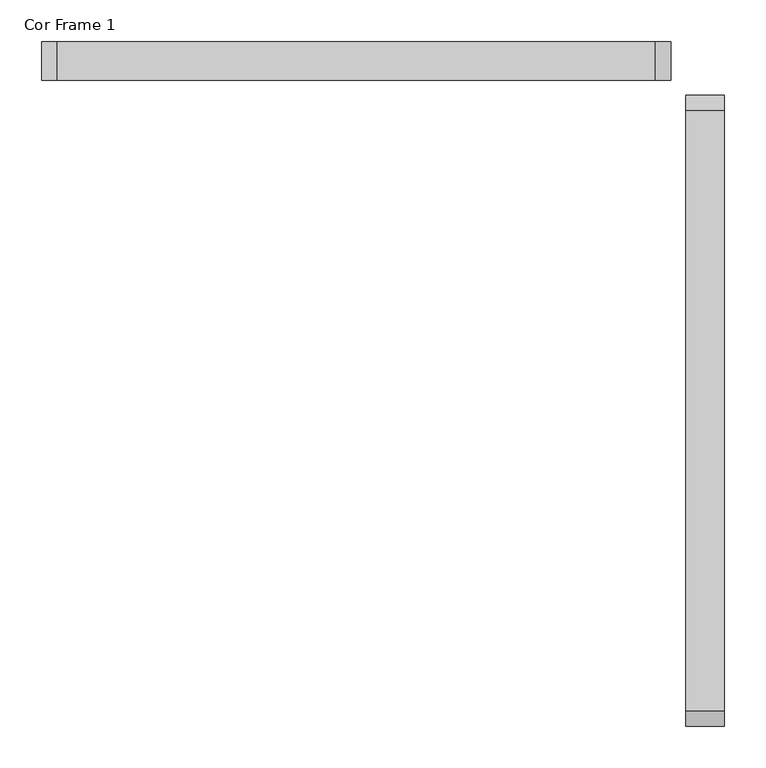
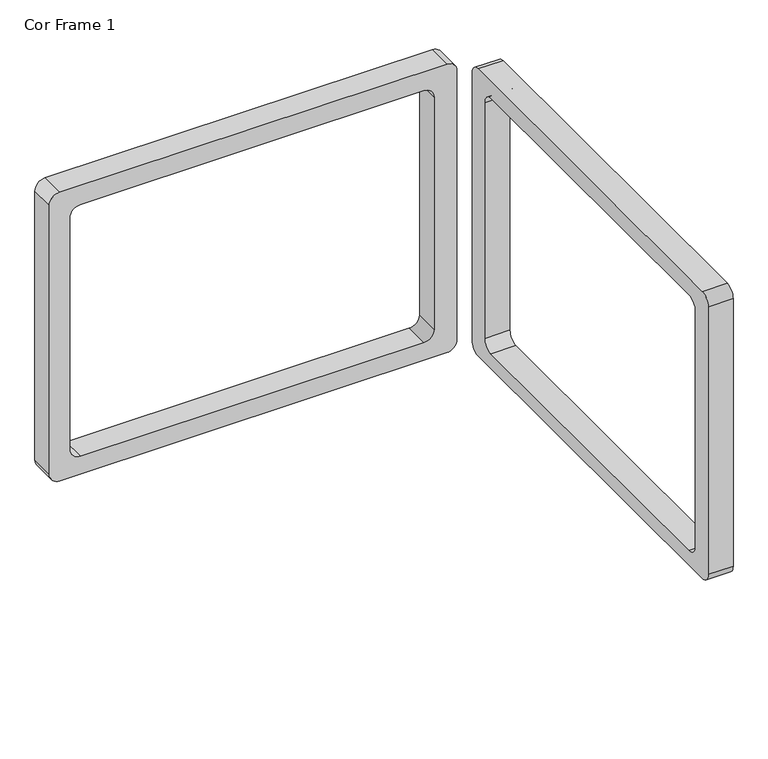
"""IFC4 building model written with IfcOpenShell, lengths in millimetres: furniture geometry, Cor Frame 1."""

from ifc_helpers import new_model, si_unit, point, frame, frame_2d, origin, place, context, project, spatial, polyline, circle_curve, trimmed, segment, composite_curve, outline, extrude, source, transform, mapped, element, save


def cor_frame_1_2939ea5a(model_context):
    return source(origin(), model_context, "Body", "SweptSolid", [
        extrude(outline(composite_curve([segment(polyline([(-831.5954136, 710.0913306), (-109.6554497, 710.0913306)]), True, "CONTINUOUS"), segment(trimmed(circle_curve(frame_2d((-109.6554497, 691.0413306)), 19.05), [point((-109.6554497, 710.0913306))], [point((-90.6054497, 691.0413306))], False, "CARTESIAN"), True, "CONTINUOUS"), segment(polyline([(-90.6054497, 691.0413306), (-90.6054497, 164.3379977)]), True, "CONTINUOUS"), segment(trimmed(circle_curve(frame_2d((-109.6554497, 164.3379977)), 19.05), [point((-90.6054497, 164.3379977))], [point((-109.6554497, 145.2879977))], False, "CARTESIAN"), True, "CONTINUOUS"), segment(polyline([(-109.6554497, 145.2879977), (-831.5954136, 145.2879977)]), True, "CONTINUOUS"), segment(trimmed(circle_curve(frame_2d((-831.5954136, 164.3379977)), 19.05), [point((-831.5954136, 145.2879977))], [point((-850.6454136, 164.3379977))], False, "CARTESIAN"), True, "CONTINUOUS"), segment(polyline([(-850.6454136, 164.3379977), (-850.6454136, 691.0413306)]), True, "CONTINUOUS"), segment(trimmed(circle_curve(frame_2d((-831.5954136, 691.0413306)), 19.05), [point((-850.6454136, 691.0413306))], [point((-831.5954136, 710.0913306))], False, "CARTESIAN"), True, "CONTINUOUS")], self_intersect=False), holes=[composite_curve([segment(trimmed(circle_curve(frame_2d((-789.1054739, 657.2710001)), 19.05), [point((-789.1054739, 676.3210001))], [point((-808.1554739, 657.2710001))], True, "CARTESIAN"), True, "CONTINUOUS"), segment(polyline([(-808.1554739, 657.2710001), (-808.1554739, 193.2638393)]), True, "CONTINUOUS"), segment(trimmed(circle_curve(frame_2d((-789.1054739, 193.2638393)), 19.05), [point((-808.1554739, 193.2638393))], [point((-789.1054739, 174.2138393))], True, "CARTESIAN"), True, "CONTINUOUS"), segment(polyline([(-789.1054739, 174.2138393), (-150.9304512, 174.2138393)]), True, "CONTINUOUS"), segment(trimmed(circle_curve(frame_2d((-150.9304512, 193.2638393)), 19.05), [point((-150.9304512, 174.2138393))], [point((-131.8804512, 193.2638393))], True, "CARTESIAN"), True, "CONTINUOUS"), segment(polyline([(-131.8804512, 193.2638393), (-131.8804512, 657.2710001)]), True, "CONTINUOUS"), segment(trimmed(circle_curve(frame_2d((-150.9304512, 657.2710001)), 19.05), [point((-131.8804512, 657.2710001))], [point((-150.9304512, 676.3210001))], True, "CARTESIAN"), True, "CONTINUOUS"), segment(polyline([(-150.9304512, 676.3210001), (-789.1054739, 676.3210001)]), True, "CONTINUOUS")], self_intersect=False)]), frame((778.0978021, 0.0, 0.0), z_axis=(1.0, 0.0, 0.0), x_axis=(0.0, 1.0, 0.0)), (0.0, 0.0, 1.0), 46.3549992),
        extrude(outline(composite_curve([segment(polyline([(710.0913306, 740.9899639), (710.0913306, 20.955)]), True, "CONTINUOUS"), segment(trimmed(circle_curve(frame_2d((691.0413306, 20.955)), 19.05), [point((710.0913306, 20.955))], [point((691.0413306, 1.905))], False, "CARTESIAN"), True, "CONTINUOUS"), segment(polyline([(691.0413306, 1.905), (161.2900006, 1.905)]), True, "CONTINUOUS"), segment(trimmed(circle_curve(frame_2d((161.2900006, 20.955)), 19.05), [point((161.2900006, 1.905))], [point((142.2400006, 20.955))], False, "CARTESIAN"), True, "CONTINUOUS"), segment(polyline([(142.2400006, 20.955), (142.2400006, 740.9899639)]), True, "CONTINUOUS"), segment(trimmed(circle_curve(frame_2d((161.2900006, 740.9899639)), 19.05), [point((142.2400006, 740.9899639))], [point((161.2900006, 760.0399639))], False, "CARTESIAN"), True, "CONTINUOUS"), segment(polyline([(161.2900006, 760.0399639), (691.0413306, 760.0399639)]), True, "CONTINUOUS"), segment(trimmed(circle_curve(frame_2d((691.0413306, 740.9899639)), 19.05), [point((691.0413306, 760.0399639))], [point((710.0913306, 740.9899639))], False, "CARTESIAN"), True, "CONTINUOUS")], self_intersect=False), holes=[composite_curve([segment(trimmed(circle_curve(frame_2d((652.9863497, 698.5000242)), 19.05), [point((672.0363497, 698.5000242))], [point((652.9863497, 717.5500242))], True, "CARTESIAN"), True, "CONTINUOUS"), segment(polyline([(652.9863497, 717.5500242), (196.2404018, 717.5500242)]), True, "CONTINUOUS"), segment(trimmed(circle_curve(frame_2d((196.2404018, 698.5000242)), 19.05), [point((196.2404018, 717.5500242))], [point((177.1904018, 698.5000242))], True, "CARTESIAN"), True, "CONTINUOUS"), segment(polyline([(177.1904018, 698.5000242), (177.1904018, 59.9465314)]), True, "CONTINUOUS"), segment(trimmed(circle_curve(frame_2d((196.2404018, 59.9465314)), 19.05), [point((177.1904018, 59.9465314))], [point((196.2404018, 40.8965314))], True, "CARTESIAN"), True, "CONTINUOUS"), segment(polyline([(196.2404018, 40.8965314), (652.9863497, 40.8965314)]), True, "CONTINUOUS"), segment(trimmed(circle_curve(frame_2d((652.9863497, 59.9465314)), 19.05), [point((652.9863497, 40.8965314))], [point((672.0363497, 59.9465314))], True, "CARTESIAN"), True, "CONTINUOUS"), segment(polyline([(672.0363497, 59.9465314), (672.0363497, 698.5000242)]), True, "CONTINUOUS")], self_intersect=False)]), frame((0.0, -72.5474999, 0.0), z_axis=(0.0, 1.0, 0.0), x_axis=(0.0, 0.0, 1.0)), (0.0, 0.0, 1.0), 46.3549992),
    ])


if __name__ == "__main__":
    model = new_model("IFC4")
    model_context = context("Model", 3, world=origin())
    ifc_project = project(units=[si_unit("LENGTHUNIT", "METRE", prefix="MILLI")], contexts=[model_context])
    site = spatial("IfcSite", under=ifc_project)
    building = spatial("IfcBuilding", under=site)
    placement = place(None, origin())
    cor_frame_1_shape = cor_frame_1_2939ea5a(model_context)
    element("IfcFurniture", 1, ObjectType="Cor Frame 1", at=placement, inside=building, context=model_context, shape_type="MappedRepresentation", body=[
        mapped(cor_frame_1_shape, transform((0.0, 0.0, 0.0), x_axis=(1.0, 0.0, 0.0), y_axis=(0.0, 1.0, 0.0), z_axis=(0.0, 0.0, 1.0))),
    ])
    save(model, "model.ifc")
